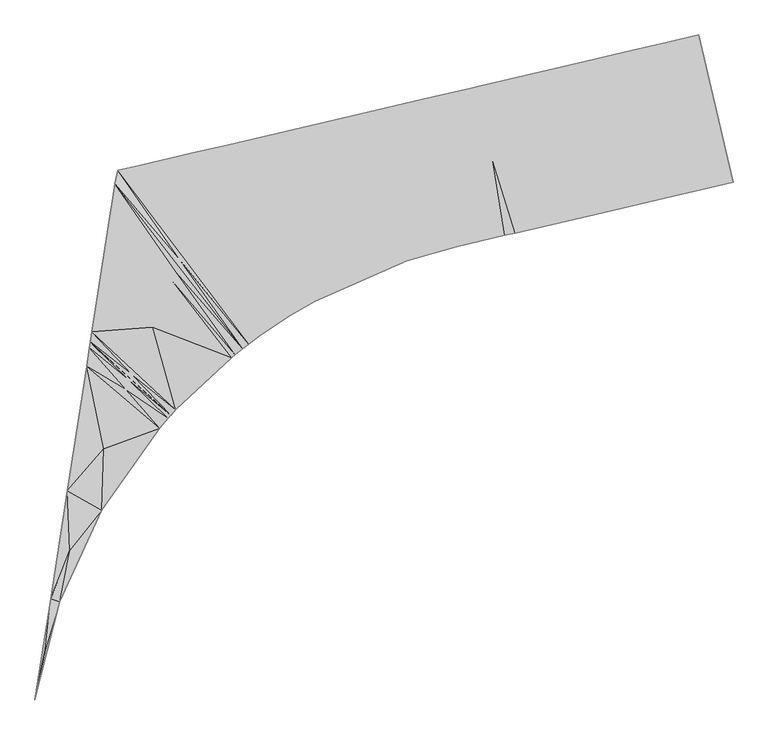
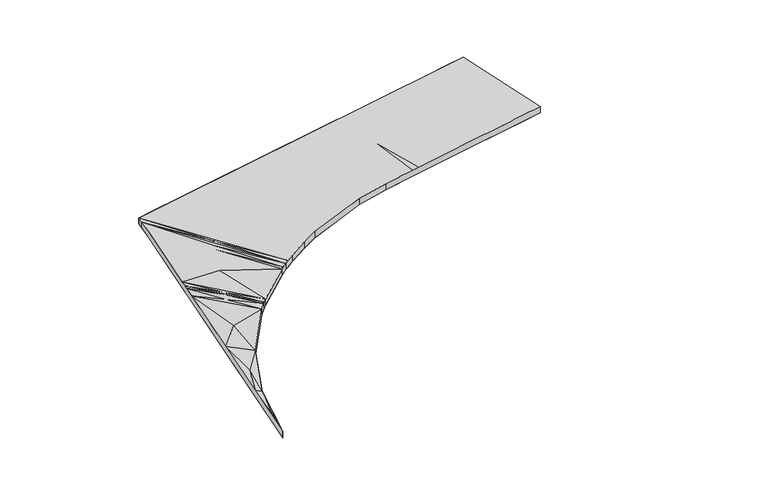
"""IFC4 building model written with IfcOpenShell, lengths in millimetres: proxy geometry."""

from ifc_helpers import new_model, si_unit, origin, place, context, project, spatial, triangles, source, transform, mapped, element, save


def roads_c4d18059(model_context):
    return source(origin(), model_context, "Body", "Tessellation", [
        triangles([(-15143.6663452, -12775.0179016, 283701.585498), (-15143.6663452, -12775.0179016, 283501.5791016), (-15772.4465698, -12921.7240631, 283523.7544922), (-15772.4465698, -12921.7240631, 283723.7608887), (-14462.0195801, -15696.5512024, 283424.4675293), (-15117.233075, -14309.1370514, 283474.0831055), (-15090.7998047, -15843.2573639, 283446.5685059), (-14462.0195801, -15696.5512024, 283624.4553223), (-15090.7998047, -15843.2573639, 283646.5562988), (-15117.233075, -14309.1370514, 283674.089502), (-16460.3952759, -13082.2340332, 283548.9622559), (-16460.3952759, -13082.2340332, 283748.9686523), (-15775.5975403, -14462.7451172, 283497.7467773), (-15778.747348, -16003.767334, 283471.7018555), (-15778.747348, -16003.767334, 283671.6896484), (-15775.5975403, -14462.7451172, 283697.7531738), (-17720.1358246, -13376.1556274, 283596.196582), (-17720.1358246, -13376.1556274, 283796.184375), (-16749.4415863, -14689.9614807, 283533.8748047), (-17038.4878967, -16297.6889282, 283518.6385254), (-17038.4878967, -16297.6889282, 283718.6449219), (-16749.4415863, -14689.9614807, 283733.8812012), (-19467.7035736, -13783.894693, 283661.6995605), (-19467.7035736, -13783.894693, 283861.705957), (-18253.0963165, -15040.7912292, 283590.0760254), (-18786.0568085, -16705.4279938, 283583.7694336), (-18786.0568085, -16705.4279938, 283783.7572266), (-18253.0963165, -15040.7912292, 283790.0824219), (-19667.8250793, -13830.5871918, 283669.2153809), (-19667.8250793, -13830.5871918, 283869.2031738), (-19226.9403625, -15268.0075928, 283625.8505859), (-18986.1771515, -16752.1204926, 283588.7179687), (-18986.1771515, -16752.1204926, 283788.7057617), (-19226.9403625, -15268.0075928, 283825.8383789), (-19805.2748291, -15402.9435425, 283843.846582), (-20624.3736694, -14053.7665924, 283705.0643555), (-21889.4359863, -14348.9299713, 283752.4847168), (-21889.4359863, -14348.9299713, 283952.4911133), (-20624.3736694, -14053.7665924, 283905.070752), (-19805.2748291, -15402.9435425, 283643.8401855), (-19942.7245789, -16975.2998932, 283612.3630371), (-19942.7245789, -16975.2998932, 283812.3694336), (-20844.5741821, -15657.5093994, 283676.6939941), (-20921.7624939, -17252.0411407, 283636.8824707), (-20921.7624939, -17252.0411407, 283836.8888672), (-20844.5741821, -15657.5093994, 283876.7003906), (-22506.0030029, -16150.7537109, 283730.8302246), (-24461.4510864, -14949.0282257, 283848.9067383), (-22751.3624451, -18053.0143433, 283685.0469727), (-22751.3624451, -18053.0143433, 283885.0533691), (-22506.0030029, -16150.7537109, 283930.8366211), (-24461.4510864, -14949.0282257, 284048.9131348), (-25215.9352661, -15125.0628296, 283877.2026855), (-25215.9352661, -15125.0628296, 284077.209082), (-23914.9332825, -16615.0928101, 283777.3948242), (-23230.9820068, -18333.2670044, 283698.4415039), (-23230.9820068, -18333.2670044, 283898.4292969), (-23914.9332825, -16615.0928101, 283977.4012207), (-26216.5114014, -15358.514859, 283914.707373), (-26216.5114014, -15358.514859, 284114.7137695), (-24621.087854, -16885.480957, 283801.4677734), (-23820.9227417, -18725.0779724, 283715.5009277), (-23820.9227417, -18725.0779724, 283915.4887207), (-24621.087854, -16885.480957, 284001.4555664), (-26661.0912415, -15462.244574, 283931.376123), (-26661.0912415, -15462.244574, 284131.3825195), (-25191.0646912, -17112.5647705, 283821.0944824), (-24065.738031, -18904.4228394, 283722.8121094), (-24065.738031, -18904.4228394, 283922.7999023), (-25191.0646912, -17112.5647705, 284021.1008789), (-26720.0388062, -15726.5912292, 283983.8752441), (-26720.0388062, -15726.5912292, 284183.8816406), (-25407.9119202, -17272.1782837, 283841.1118652), (-24184.7772766, -18995.4568176, 283726.4211914), (-24184.7772766, -18995.4568176, 283926.4089844), (-25407.9119202, -17272.1782837, 284041.1182617), (-26773.8076172, -16073.3351807, 284182.1701172), (-26773.8076172, -16073.3351807, 283982.1637207), (-25502.7968262, -17476.8750916, 283855.8458496), (-24332.5659302, -19112.115976, 283730.9418457), (-24332.5659302, -19112.115976, 283930.9482422), (-25502.7968262, -17476.8750916, 284055.8522461), (-26800.1594971, -16243.2794586, 284181.3143555), (-26800.1594971, -16243.2794586, 283981.3265625), (-25578.1271118, -17650.0842865, 283856.90625), (-24405.9730774, -19171.6088562, 283733.2300781), (-24405.9730774, -19171.6088562, 283933.2178711), (-25578.1271118, -17650.0842865, 284056.9126465), (-25972.6402405, -18571.4245605, 283862.9895996), (-27175.3552002, -18662.8050293, 283967.6901855), (-25509.0685364, -20208.0037354, 283769.7115723), (-25509.0685364, -20208.0037354, 283969.7179687), (-25972.6402405, -18571.4245605, 284062.9959961), (-27175.3552002, -18662.8050293, 284167.696582), (-27206.5788757, -18864.167157, 284166.5245605), (-27206.5788757, -18864.167157, 283966.5181641), (-26373.8483093, -19511.7764648, 283869.2589844), (-25604.3929504, -20312.1276123, 283773.1160156), (-25604.3929504, -20312.1276123, 283973.1038086), (-26373.8483093, -19511.7764648, 284069.2653809), (-27207.2369751, -18868.4099213, 283966.4995605), (-27207.2369751, -18868.4099213, 284166.505957), (-26406.1533142, -19589.7647278, 283869.8356934), (-25606.4044556, -20314.3553833, 283773.1904297), (-25606.4044556, -20314.3553833, 283973.1782227), (-26406.1533142, -19589.7647278, 284069.8234863), (-27207.8950745, -18872.6503601, 283966.480957), (-27207.8950745, -18872.6503601, 284166.46875), (-26407.4881165, -19592.9994141, 283869.8542969), (-25608.4136353, -20316.5808289, 283773.2648437), (-25608.4136353, -20316.5808289, 283973.2526367), (-26407.4881165, -19592.9994141, 284069.8606934), (-27224.1871033, -18977.7113892, 283965.867041), (-27224.1871033, -18977.7113892, 284165.854834), (-26424.6893921, -19634.7805847, 283870.1705566), (-25658.2594299, -20372.1751099, 283775.0507812), (-25658.2594299, -20372.1751099, 283975.0571777), (-26424.6893921, -19634.7805847, 284070.1583496), (-26498.5081421, -19815.4858337, 283871.5100098), (-27280.5394775, -19341.1124634, 283963.7462402), (-25831.0488831, -20570.9490234, 283781.3945801), (-25831.0488831, -20570.9490234, 283981.4009766), (-26498.5081421, -19815.4858337, 284071.5164063), (-27280.5394775, -19341.1124634, 284163.7526367), (-27663.6416748, -21811.6314331, 283949.3843262), (-27663.6416748, -21811.6314331, 284149.3907227), (-26938.7091797, -20982.1495056, 283881.0350098), (-26979.6066833, -22204.9027771, 283829.5776855), (-26979.6066833, -22204.9027771, 284029.5654785), (-26938.7091797, -20982.1495056, 284081.0228027), (-27996.0353394, -23955.1447815, 284136.9263672), (-27996.0353394, -23955.1447815, 283936.9199707), (-27613.2680054, -22997.8218201, 283898.4106934), (-27813.7859985, -24019.6036377, 283877.7421875), (-27813.7859985, -24019.6036377, 284077.748584), (-27613.2680054, -22997.8218201, 284098.3984863), (-28306.1838501, -25955.2110718, 284125.2991699), (-28306.1838501, -25955.2110718, 283925.2927734), (-28105.5216797, -24971.2967102, 283916.474707), (-28306.0838562, -25955.2273499, 283925.9066895), (-28306.0838562, -25955.2273499, 284125.9130859), (-28105.5216797, -24971.2967102, 284116.4625)], [[4, 1, 3], [2, 3, 1], [5, 6, 2], [3, 2, 6], [7, 3, 6], [7, 6, 5], [5, 8, 7], [9, 7, 8], [1, 10, 8], [9, 8, 10], [4, 9, 10], [4, 10, 1], [12, 4, 11], [3, 11, 4], [7, 13, 3], [11, 3, 13], [14, 11, 13], [14, 13, 7], [7, 9, 14], [15, 14, 9], [4, 16, 9], [15, 9, 16], [12, 15, 16], [12, 16, 4], [11, 17, 12], [18, 12, 17], [14, 19, 11], [17, 11, 19], [20, 17, 19], [20, 19, 14], [14, 15, 20], [21, 20, 15], [12, 22, 15], [21, 15, 22], [18, 21, 22], [18, 22, 12], [24, 18, 23], [17, 23, 18], [20, 25, 17], [23, 17, 25], [26, 23, 25], [26, 25, 20], [27, 26, 21], [20, 21, 26], [18, 28, 21], [27, 21, 28], [24, 27, 28], [24, 28, 18], [30, 24, 29], [23, 29, 24], [26, 31, 23], [29, 23, 31], [32, 31, 26], [26, 27, 32], [33, 32, 27], [24, 34, 27], [33, 27, 34], [34, 30, 35], [35, 33, 34], [30, 34, 24], [29, 36, 30], [30, 36, 39], [39, 37, 38], [37, 39, 36], [40, 29, 31], [31, 32, 40], [36, 29, 40], [41, 36, 40], [41, 40, 32], [32, 33, 41], [42, 41, 33], [42, 33, 35], [39, 42, 35], [39, 35, 30], [41, 43, 36], [37, 36, 43], [44, 37, 43], [44, 43, 41], [45, 44, 42], [41, 42, 44], [39, 46, 42], [45, 42, 46], [38, 45, 46], [38, 46, 39], [44, 47, 37], [48, 37, 47], [49, 48, 47], [49, 47, 44], [44, 45, 49], [50, 49, 45], [38, 51, 45], [50, 45, 51], [52, 50, 51], [52, 51, 38], [54, 52, 53], [53, 52, 48], [48, 38, 37], [38, 48, 52], [49, 55, 48], [53, 48, 55], [56, 53, 55], [56, 55, 49], [49, 50, 56], [57, 56, 50], [52, 58, 50], [57, 50, 58], [54, 57, 58], [54, 58, 52], [60, 54, 59], [53, 59, 54], [56, 61, 53], [59, 53, 61], [62, 59, 61], [62, 61, 56], [63, 62, 57], [56, 57, 62], [54, 64, 57], [63, 57, 64], [60, 63, 64], [60, 64, 54], [66, 60, 65], [59, 65, 60], [62, 67, 59], [65, 59, 67], [68, 65, 67], [68, 67, 62], [62, 63, 68], [69, 68, 63], [60, 70, 63], [69, 63, 70], [66, 69, 70], [66, 70, 60], [72, 66, 71], [65, 71, 66], [68, 73, 65], [73, 71, 65], [74, 71, 73], [74, 73, 68], [68, 69, 74], [75, 74, 69], [66, 76, 69], [75, 69, 76], [72, 75, 76], [66, 72, 76], [78, 77, 71], [72, 71, 77], [74, 79, 71], [79, 78, 71], [80, 78, 79], [80, 79, 74], [74, 75, 80], [81, 80, 75], [72, 82, 75], [81, 75, 82], [77, 81, 82], [72, 77, 82], [84, 83, 78], [77, 78, 83], [80, 85, 78], [85, 84, 78], [86, 84, 85], [86, 85, 80], [80, 81, 86], [87, 86, 81], [77, 88, 81], [87, 81, 88], [83, 87, 88], [77, 83, 88], [86, 89, 84], [90, 84, 89], [91, 90, 89], [91, 89, 86], [92, 91, 87], [86, 87, 91], [83, 93, 87], [92, 87, 93], [94, 92, 93], [94, 93, 83], [96, 95, 90], [90, 95, 94], [94, 83, 84], [94, 84, 90], [91, 97, 90], [97, 96, 90], [98, 96, 97], [98, 97, 91], [91, 92, 98], [99, 98, 92], [94, 100, 92], [99, 92, 100], [95, 99, 100], [94, 95, 100], [95, 96, 102], [101, 102, 96], [98, 103, 96], [103, 101, 96], [104, 101, 103], [98, 104, 103], [104, 98, 99], [99, 105, 104], [95, 106, 99], [106, 105, 99], [102, 105, 106], [95, 102, 106], [102, 101, 108], [107, 108, 101], [104, 109, 101], [109, 107, 101], [110, 107, 109], [104, 110, 109], [105, 111, 110], [110, 104, 105], [102, 112, 105], [112, 111, 105], [108, 111, 112], [102, 108, 112], [108, 107, 114], [113, 114, 107], [110, 115, 107], [115, 113, 107], [116, 113, 115], [116, 115, 110], [110, 111, 116], [117, 116, 111], [108, 118, 111], [117, 111, 118], [114, 117, 118], [108, 114, 118], [116, 119, 113], [119, 120, 113], [121, 120, 119], [121, 119, 116], [122, 121, 117], [116, 117, 121], [114, 123, 117], [122, 117, 123], [124, 122, 123], [114, 124, 123], [125, 126, 120], [120, 126, 124], [124, 114, 113], [124, 113, 120], [121, 127, 120], [125, 120, 127], [128, 125, 127], [128, 127, 121], [121, 122, 128], [129, 128, 122], [124, 130, 122], [129, 122, 130], [126, 129, 130], [126, 130, 124], [132, 131, 125], [126, 125, 131], [128, 133, 125], [132, 125, 133], [134, 132, 133], [134, 133, 128], [128, 129, 134], [135, 134, 129], [126, 136, 129], [135, 129, 136], [131, 135, 136], [131, 136, 126], [138, 137, 132], [131, 132, 137], [132, 134, 139], [138, 132, 139], [140, 138, 139], [140, 139, 134], [134, 135, 140], [141, 140, 135], [131, 142, 135], [141, 135, 142], [142, 137, 141], [137, 142, 131], [5, 2, 8], [1, 8, 2]], closed=False),
    ])


if __name__ == "__main__":
    model = new_model("IFC4")
    model_context = context("Model", 3, world=origin())
    ifc_project = project(units=[si_unit("LENGTHUNIT", "METRE", prefix="MILLI")], contexts=[model_context])
    site = spatial("IfcSite", under=ifc_project)
    building = spatial("IfcBuilding", under=site)
    placement = place(None, origin())
    roads_shape = roads_c4d18059(model_context)
    element("IfcBuildingElementProxy", 1, Name="Roads", at=placement, inside=building, context=model_context, shape_type="MappedRepresentation", body=[
        mapped(roads_shape, transform((0.0, 0.0, 0.0), x_axis=(1.0, 0.0, 0.0), y_axis=(0.0, 1.0, 0.0), z_axis=(0.0, 0.0, 1.0))),
    ])
    save(model, "model.ifc")
